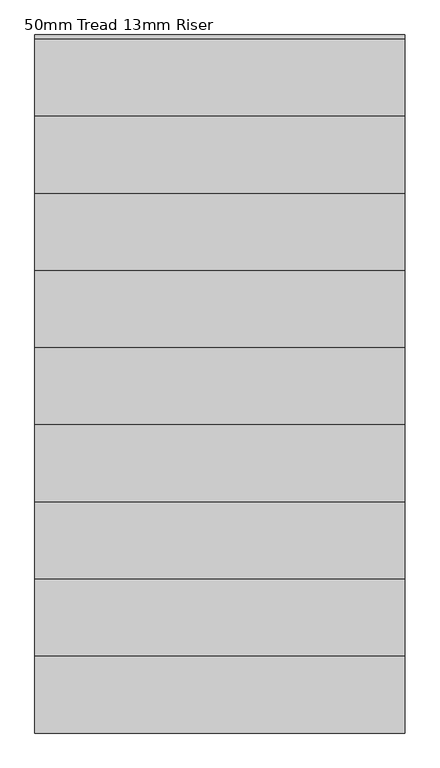
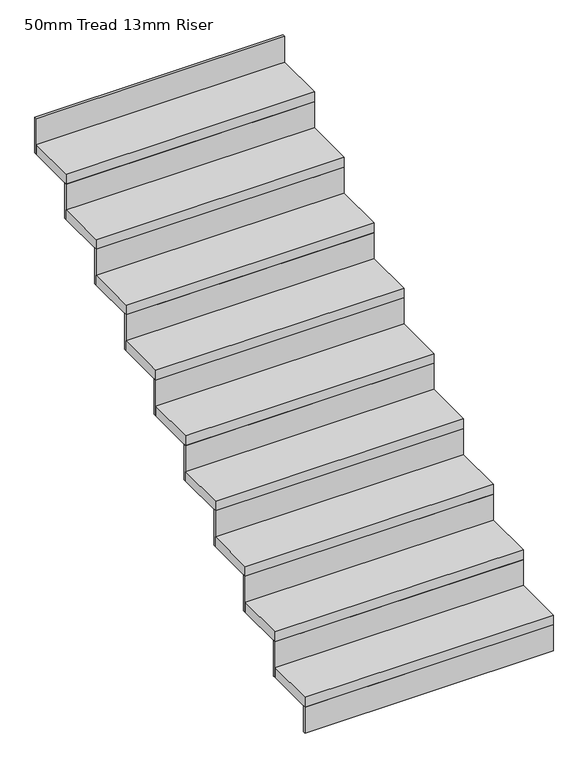
"""IFC4 building model written with IfcOpenShell, lengths in millimetres: stair flight geometry, 50mm Tread 13mm Riser."""

from ifc_helpers import new_model, si_unit, frame, origin, place, context, project, spatial, polyline, outline, extrude, source, transform, mapped, element, save


def stair_flight_50mm_tread_13mm_riser_9e235e7f(model_context):
    return source(origin(), model_context, "Body", "SweptSolid", [
        extrude(outline(polyline([(15879.6955357, 5721.1449078), (15879.6955357, 5708.6449078), (14679.6955357, 5708.6449078), (14679.6955357, 5721.1449078), (15879.6955357, 5721.1449078)])), frame((0.0, 0.0, 5450.0), z_axis=(0.0, 0.0, 1.0), x_axis=(1.0, 0.0, 0.0)), (0.0, 0.0, 1.0), 132.5),
        extrude(outline(polyline([(14679.6955357, 5958.6449078), (15879.6955357, 5958.6449078), (15879.6955357, 5708.6449078), (14679.6955357, 5708.6449078), (14679.6955357, 5958.6449078)])), frame((0.0, 0.0, 5582.5), z_axis=(0.0, 0.0, 1.0), x_axis=(1.0, 0.0, 0.0)), (0.0, 0.0, 1.0), 50.0),
        extrude(outline(polyline([(15879.6955357, 5971.1449078), (15879.6955357, 5958.6449078), (14679.6955357, 5958.6449078), (14679.6955357, 5971.1449078), (15879.6955357, 5971.1449078)])), frame((0.0, 0.0, 5582.5), z_axis=(0.0, 0.0, 1.0), x_axis=(1.0, 0.0, 0.0)), (0.0, 0.0, 1.0), 182.5),
        extrude(outline(polyline([(14679.6955357, 6208.6449078), (15879.6955357, 6208.6449078), (15879.6955357, 5958.6449078), (14679.6955357, 5958.6449078), (14679.6955357, 6208.6449078)])), frame((0.0, 0.0, 5765.0), z_axis=(0.0, 0.0, 1.0), x_axis=(1.0, 0.0, 0.0)), (0.0, 0.0, 1.0), 50.0),
        extrude(outline(polyline([(15879.6955357, 6221.1449078), (15879.6955357, 6208.6449078), (14679.6955357, 6208.6449078), (14679.6955357, 6221.1449078), (15879.6955357, 6221.1449078)])), frame((0.0, 0.0, 5765.0), z_axis=(0.0, 0.0, 1.0), x_axis=(1.0, 0.0, 0.0)), (0.0, 0.0, 1.0), 182.5),
        extrude(outline(polyline([(14679.6955357, 6458.6449078), (15879.6955357, 6458.6449078), (15879.6955357, 6208.6449078), (14679.6955357, 6208.6449078), (14679.6955357, 6458.6449078)])), frame((0.0, 0.0, 5947.5), z_axis=(0.0, 0.0, 1.0), x_axis=(1.0, 0.0, 0.0)), (0.0, 0.0, 1.0), 50.0),
        extrude(outline(polyline([(15879.6955357, 6471.1449078), (15879.6955357, 6458.6449078), (14679.6955357, 6458.6449078), (14679.6955357, 6471.1449078), (15879.6955357, 6471.1449078)])), frame((0.0, 0.0, 5947.5), z_axis=(0.0, 0.0, 1.0), x_axis=(1.0, 0.0, 0.0)), (0.0, 0.0, 1.0), 182.5),
        extrude(outline(polyline([(14679.6955357, 6708.6449078), (15879.6955357, 6708.6449078), (15879.6955357, 6458.6449078), (14679.6955357, 6458.6449078), (14679.6955357, 6708.6449078)])), frame((0.0, 0.0, 6130.0), z_axis=(0.0, 0.0, 1.0), x_axis=(1.0, 0.0, 0.0)), (0.0, 0.0, 1.0), 50.0),
        extrude(outline(polyline([(15879.6955357, 6721.1449078), (15879.6955357, 6708.6449078), (14679.6955357, 6708.6449078), (14679.6955357, 6721.1449078), (15879.6955357, 6721.1449078)])), frame((0.0, 0.0, 6130.0), z_axis=(0.0, 0.0, 1.0), x_axis=(1.0, 0.0, 0.0)), (0.0, 0.0, 1.0), 182.5),
        extrude(outline(polyline([(14679.6955357, 6958.6449078), (15879.6955357, 6958.6449078), (15879.6955357, 6708.6449078), (14679.6955357, 6708.6449078), (14679.6955357, 6958.6449078)])), frame((0.0, 0.0, 6312.5), z_axis=(0.0, 0.0, 1.0), x_axis=(1.0, 0.0, 0.0)), (0.0, 0.0, 1.0), 50.0),
        extrude(outline(polyline([(15879.6955357, 6971.1449078), (15879.6955357, 6958.6449078), (14679.6955357, 6958.6449078), (14679.6955357, 6971.1449078), (15879.6955357, 6971.1449078)])), frame((0.0, 0.0, 6312.5), z_axis=(0.0, 0.0, 1.0), x_axis=(1.0, 0.0, 0.0)), (0.0, 0.0, 1.0), 182.5),
        extrude(outline(polyline([(14679.6955357, 7208.6449078), (15879.6955357, 7208.6449078), (15879.6955357, 6958.6449078), (14679.6955357, 6958.6449078), (14679.6955357, 7208.6449078)])), frame((0.0, 0.0, 6495.0), z_axis=(0.0, 0.0, 1.0), x_axis=(1.0, 0.0, 0.0)), (0.0, 0.0, 1.0), 50.0),
        extrude(outline(polyline([(15879.6955357, 7221.1449078), (15879.6955357, 7208.6449078), (14679.6955357, 7208.6449078), (14679.6955357, 7221.1449078), (15879.6955357, 7221.1449078)])), frame((0.0, 0.0, 6495.0), z_axis=(0.0, 0.0, 1.0), x_axis=(1.0, 0.0, 0.0)), (0.0, 0.0, 1.0), 182.5),
        extrude(outline(polyline([(14679.6955357, 7458.6449078), (15879.6955357, 7458.6449078), (15879.6955357, 7208.6449078), (14679.6955357, 7208.6449078), (14679.6955357, 7458.6449078)])), frame((0.0, 0.0, 6677.5), z_axis=(0.0, 0.0, 1.0), x_axis=(1.0, 0.0, 0.0)), (0.0, 0.0, 1.0), 50.0),
        extrude(outline(polyline([(15879.6955357, 7471.1449078), (15879.6955357, 7458.6449078), (14679.6955357, 7458.6449078), (14679.6955357, 7471.1449078), (15879.6955357, 7471.1449078)])), frame((0.0, 0.0, 6677.5), z_axis=(0.0, 0.0, 1.0), x_axis=(1.0, 0.0, 0.0)), (0.0, 0.0, 1.0), 182.5),
        extrude(outline(polyline([(14679.6955357, 7708.6449078), (15879.6955357, 7708.6449078), (15879.6955357, 7458.6449078), (14679.6955357, 7458.6449078), (14679.6955357, 7708.6449078)])), frame((0.0, 0.0, 6860.0), z_axis=(0.0, 0.0, 1.0), x_axis=(1.0, 0.0, 0.0)), (0.0, 0.0, 1.0), 50.0),
        extrude(outline(polyline([(15879.6955357, 7721.1449078), (15879.6955357, 7708.6449078), (14679.6955357, 7708.6449078), (14679.6955357, 7721.1449078), (15879.6955357, 7721.1449078)])), frame((0.0, 0.0, 6860.0), z_axis=(0.0, 0.0, 1.0), x_axis=(1.0, 0.0, 0.0)), (0.0, 0.0, 1.0), 182.5),
        extrude(outline(polyline([(14679.6955357, 7958.6449078), (15879.6955357, 7958.6449078), (15879.6955357, 7708.6449078), (14679.6955357, 7708.6449078), (14679.6955357, 7958.6449078)])), frame((0.0, 0.0, 7042.5), z_axis=(0.0, 0.0, 1.0), x_axis=(1.0, 0.0, 0.0)), (0.0, 0.0, 1.0), 50.0),
        extrude(outline(polyline([(15879.6955357, 7971.1449078), (15879.6955357, 7958.6449078), (14679.6955357, 7958.6449078), (14679.6955357, 7971.1449078), (15879.6955357, 7971.1449078)])), frame((0.0, 0.0, 7042.5), z_axis=(0.0, 0.0, 1.0), x_axis=(1.0, 0.0, 0.0)), (0.0, 0.0, 1.0), 182.5),
    ])


if __name__ == "__main__":
    model = new_model("IFC4")
    model_context = context("Model", 3, world=origin())
    ifc_project = project(units=[si_unit("LENGTHUNIT", "METRE", prefix="MILLI")], contexts=[model_context])
    site = spatial("IfcSite", under=ifc_project)
    building = spatial("IfcBuilding", under=site)
    placement = place(None, origin())
    stair_flight_50mm_tread_13mm_riser_shape = stair_flight_50mm_tread_13mm_riser_9e235e7f(model_context)
    element("IfcStairFlight", 1, ObjectType="50mm Tread 13mm Riser", at=placement, inside=building, context=model_context, shape_type="MappedRepresentation", body=[
        mapped(stair_flight_50mm_tread_13mm_riser_shape, transform((0.0, 0.0, 0.0), x_axis=(1.0, 0.0, 0.0), y_axis=(0.0, 1.0, 0.0), z_axis=(0.0, 0.0, 1.0))),
    ])
    save(model, "model.ifc")
